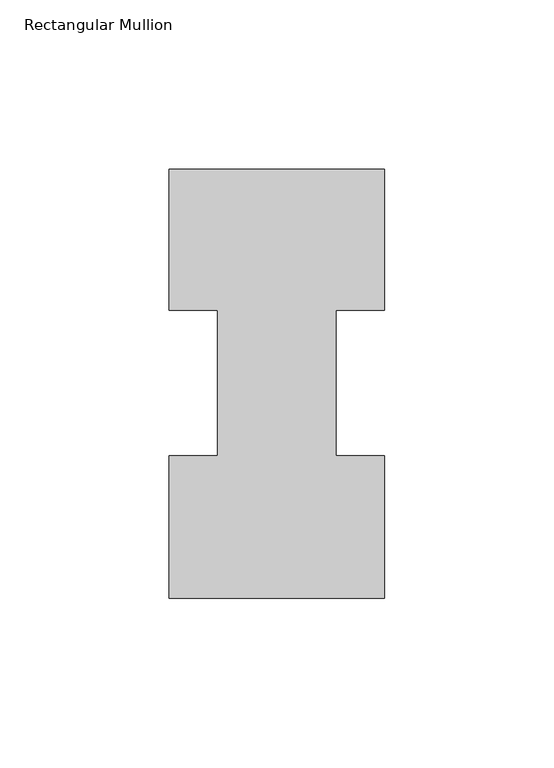
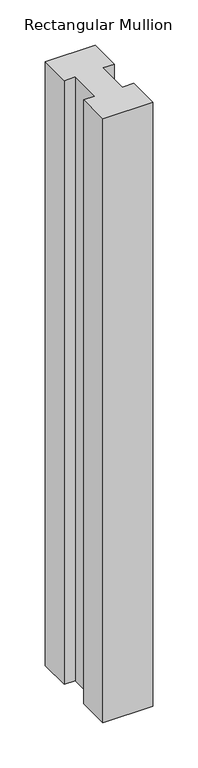
"""IFC4 building model written with IfcOpenShell, lengths in millimetres: member geometry, Rectangular Mullion."""

from ifc_helpers import new_model, si_unit, frame, origin, place, context, project, spatial, polyline, outline, extrude, source, transform, mapped, element, save


def rectangular_mullion_ef89c90c(model_context):
    return source(origin(), model_context, "Body", "SweptSolid", [
        extrude(outline(polyline([(-63.5, 0.04445), (-63.5, 42.08145), (-49.2125, 42.08145), (-49.2125, 84.93125), (-63.5, 84.93125), (-63.5, 126.53645), (0.0, 126.53645), (0.0, 84.93125), (-14.2748, 84.93125), (-14.2748, 42.08145), (0.0, 42.08145), (0.0, 0.04445), (-63.5, 0.04445)])), frame((0.0, 0.0, -812.8), z_axis=(0.0, 0.0, 1.0), x_axis=(1.0, 0.0, 0.0)), (0.0, 0.0, 1.0), 812.8),
    ])


if __name__ == "__main__":
    model = new_model("IFC4")
    model_context = context("Model", 3, world=origin())
    ifc_project = project(units=[si_unit("LENGTHUNIT", "METRE", prefix="MILLI")], contexts=[model_context])
    site = spatial("IfcSite", under=ifc_project)
    building = spatial("IfcBuilding", under=site)
    placement = place(None, origin())
    rectangular_mullion_shape = rectangular_mullion_ef89c90c(model_context)
    element("IfcMember", 1, ObjectType="Rectangular Mullion", at=placement, inside=building, context=model_context, shape_type="MappedRepresentation", body=[
        mapped(rectangular_mullion_shape, transform((0.0, 0.0, 0.0), x_axis=(1.0, 0.0, 0.0), y_axis=(0.0, 1.0, 0.0), z_axis=(0.0, 0.0, 1.0))),
    ])
    save(model, "model.ifc")
